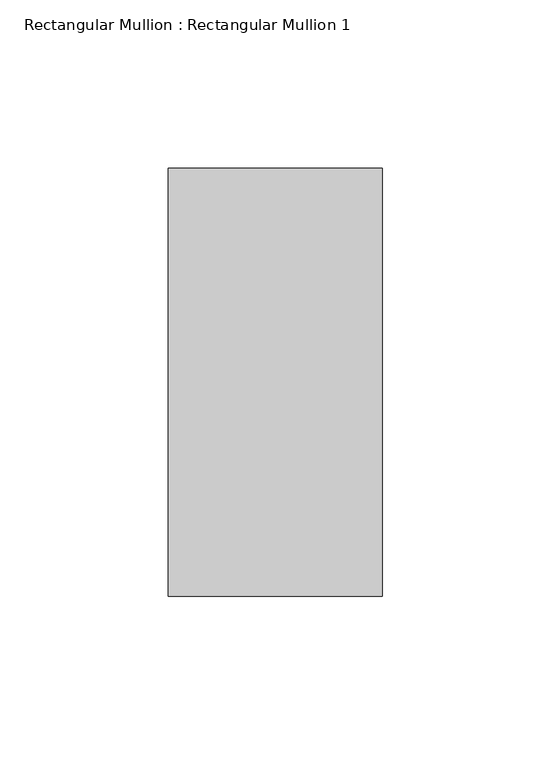
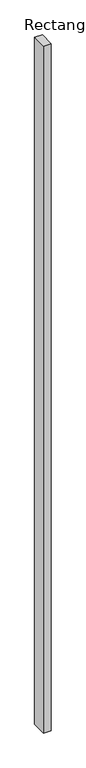
"""IFC4 building model written with IfcOpenShell, lengths in millimetres: member geometry, Rectangular Mullion : Rectangular Mullion 1."""

from ifc_helpers import new_model, si_unit, frame, origin, place, context, project, spatial, polyline, outline, extrude, source, transform, mapped, element, save


def rectangular_mullion_rectangular_mullion_1_06935588(model_context):
    return source(origin(), model_context, "Body", "SweptSolid", [
        extrude(outline(polyline([(0.0, 63.5), (0.0, -63.5), (-63.5, -63.5), (-63.5, 63.5), (0.0, 63.5)])), frame((0.0, 0.0, -6018.0639632), z_axis=(0.0, 0.0, 1.0), x_axis=(1.0, 0.0, 0.0)), (0.0, 0.0, 1.0), 6018.0639632),
    ])


if __name__ == "__main__":
    model = new_model("IFC4")
    model_context = context("Model", 3, world=origin())
    ifc_project = project(units=[si_unit("LENGTHUNIT", "METRE", prefix="MILLI")], contexts=[model_context])
    site = spatial("IfcSite", under=ifc_project)
    building = spatial("IfcBuilding", under=site)
    placement = place(None, origin())
    rectangular_mullion_rectangular_mullion_1_shape = rectangular_mullion_rectangular_mullion_1_06935588(model_context)
    element("IfcMember", 1, ObjectType="Rectangular Mullion : Rectangular Mullion 1", at=placement, inside=building, context=model_context, shape_type="MappedRepresentation", body=[
        mapped(rectangular_mullion_rectangular_mullion_1_shape, transform((0.0, 0.0, 0.0), x_axis=(1.0, 0.0, 0.0), y_axis=(0.0, 1.0, 0.0), z_axis=(0.0, 0.0, 1.0))),
    ])
    save(model, "model.ifc")
